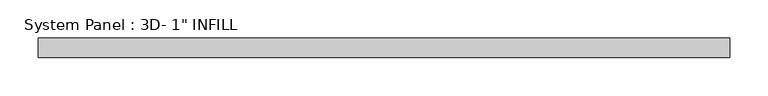
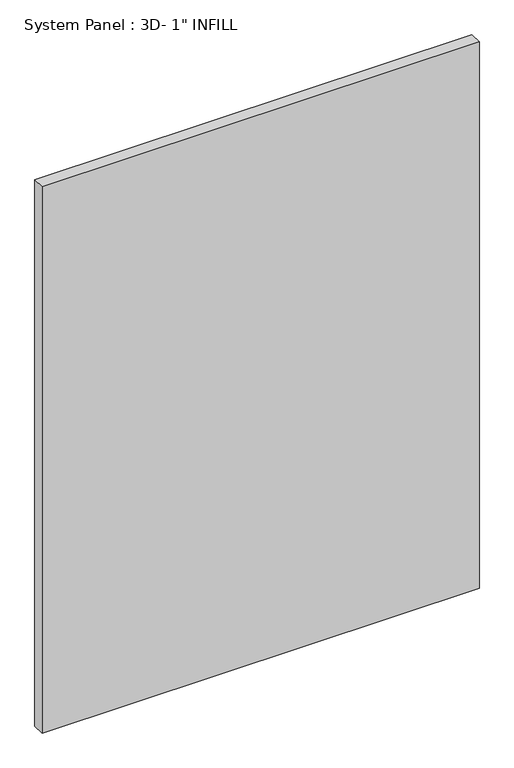
"""IFC4 building model written with IfcOpenShell, lengths in millimetres: plate geometry."""

from ifc_helpers import new_model, si_unit, origin, origin_with_axes, place, context, project, spatial, polyline, outline, extrude, source, transform, mapped, element, save


def plate_3572c13c(model_context):
    return source(origin(), model_context, "Body", "SweptSolid", [
        extrude(outline(polyline([(450.2785, -5.4570312), (-450.2785, -5.4570312), (-450.2785, 19.9429688), (450.2785, 19.9429688), (450.2785, -5.4570312)])), origin_with_axes(), (0.0, 0.0, 1.0), 1188.7177347),
    ])


if __name__ == "__main__":
    model = new_model("IFC4")
    model_context = context("Model", 3, world=origin())
    ifc_project = project(units=[si_unit("LENGTHUNIT", "METRE", prefix="MILLI")], contexts=[model_context])
    site = spatial("IfcSite", under=ifc_project)
    building = spatial("IfcBuilding", under=site)
    placement = place(None, origin())
    plate_shape = plate_3572c13c(model_context)
    element("IfcPlate", 1, ObjectType="System Panel : 3D- 1\" INFILL", at=placement, inside=building, context=model_context, shape_type="MappedRepresentation", body=[
        mapped(plate_shape, transform((0.0, 0.0, 0.0), x_axis=(1.0, 0.0, 0.0), y_axis=(0.0, 1.0, 0.0), z_axis=(0.0, 0.0, 1.0))),
    ])
    save(model, "model.ifc")
